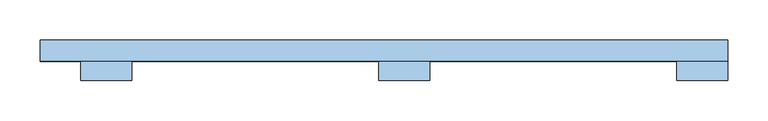
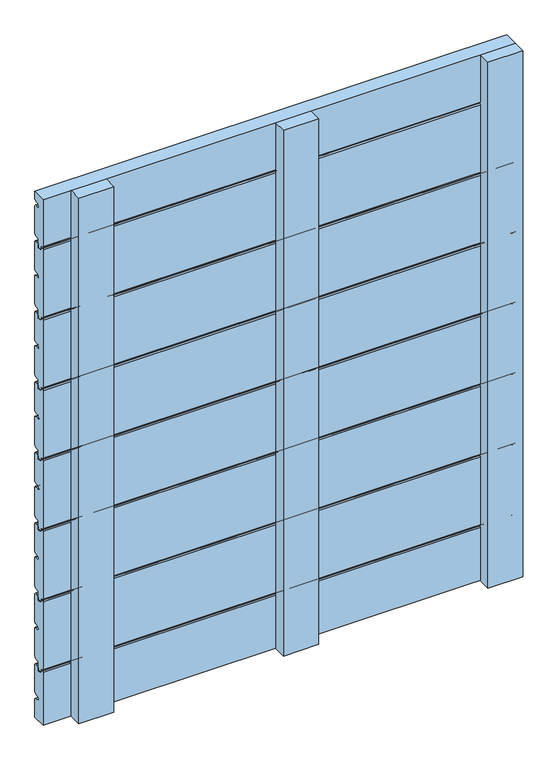
"""IFC4 building model written with IfcOpenShell, lengths in millimetres: window geometry."""

from ifc_helpers import new_model, si_unit, point, frame, frame_2d, origin, place, context, project, spatial, polyline, circle_curve, trimmed, segment, composite_curve, outline, extrude, source, transform, mapped, element, save


def window_ca7a7c07(model_context):
    return source(origin(), model_context, "Body", "SweptSolid", [
        extrude(outline(composite_curve([segment(trimmed(circle_curve(frame_2d((56.0069561, 1005.0059188)), 2.0068504), [point((54.0001057, 1005.0059188))], [point((56.0069561, 1007.0127692))], False, "CARTESIAN"), True, "CONTINUOUS"), segment(polyline([(56.0069561, 1007.0127692), (59.0001057, 1007.0127692)]), True, "CONTINUOUS"), segment(trimmed(circle_curve(frame_2d((59.0001057, 1005.0127692)), 2.0), [point((59.0001057, 1007.0127692))], [point((61.0001057, 1005.0127692))], False, "CARTESIAN"), True, "CONTINUOUS"), segment(polyline([(61.0001057, 1005.0127692), (61.0001057, 999.0127692), (69.0001057, 999.0127692), (69.0001057, 1004.0970543)]), True, "CONTINUOUS"), segment(trimmed(circle_curve(frame_2d((72.0089139, 1004.0024748)), 3.0102944), [point((69.0001057, 1004.0970543))], [point((72.0089139, 1007.0127692))], False, "CARTESIAN"), True, "CONTINUOUS"), segment(polyline([(72.0089139, 1007.0127692), (76.9999996, 1007.0127692)]), True, "CONTINUOUS"), segment(trimmed(circle_curve(frame_2d((76.9999996, 1004.0127692)), 3.0), [point((76.9999996, 1007.0127692))], [point((79.9999996, 1004.0127692))], False, "CARTESIAN"), True, "CONTINUOUS"), segment(polyline([(79.9999996, 1004.0127692), (79.9999996, 952.3066796)]), True, "CONTINUOUS"), segment(trimmed(circle_curve(frame_2d((76.9999996, 952.3066796)), 3.0), [point((79.9999996, 952.3066796))], [point((77.8555837, 949.4312708))], False, "CARTESIAN"), True, "CONTINUOUS"), segment(polyline([(77.8555837, 949.4312708), (69.9239208, 947.3276824)]), True, "CONTINUOUS"), segment(trimmed(circle_curve(frame_2d((70.5001156, 945.4124802)), 2.0), [point((69.9239208, 947.3276824))], [point((68.5001156, 945.4124802))], True, "CARTESIAN"), True, "CONTINUOUS"), segment(polyline([(68.5001156, 945.4124802), (68.5001158, 944.0)]), True, "CONTINUOUS"), segment(trimmed(circle_curve(frame_2d((70.5001158, 944.0)), 2.0), [point((68.5001158, 944.0))], [point((70.5001158, 942.0))], True, "CARTESIAN"), True, "CONTINUOUS"), segment(polyline([(70.5001158, 942.0), (76.968241, 942.0)]), True, "CONTINUOUS"), segment(trimmed(circle_curve(frame_2d((77.0018221, 939.000188)), 3.0), [point((76.968241, 942.0))], [point((80.0, 939.1047318))], False, "CARTESIAN"), True, "CONTINUOUS"), segment(polyline([(80.0, 939.1047318), (80.0, 887.2676097)]), True, "CONTINUOUS"), segment(trimmed(circle_curve(frame_2d((77.0, 887.2676097)), 3.0), [point((80.0, 887.2676097))], [point((78.1977807, 884.5170968))], False, "CARTESIAN"), True, "CONTINUOUS"), segment(polyline([(78.1977807, 884.5170968), (70.4824676, 882.4497849)]), True, "CONTINUOUS"), segment(trimmed(circle_curve(frame_2d((71.0001057, 880.5179332)), 2.0), [point((70.4824676, 882.4497849))], [point((69.0001057, 880.5179332))], True, "CARTESIAN"), True, "CONTINUOUS"), segment(polyline([(69.0001057, 880.5179332), (69.0001057, 869.0127692)]), True, "CONTINUOUS"), segment(trimmed(circle_curve(frame_2d((67.0001057, 869.0127692)), 2.0), [point((69.0001057, 869.0127692))], [point((67.0001057, 867.0127692))], False, "CARTESIAN"), True, "CONTINUOUS"), segment(polyline([(67.0001057, 867.0127692), (63.0001057, 867.0127692)]), True, "CONTINUOUS"), segment(trimmed(circle_curve(frame_2d((63.0001057, 869.0127692)), 2.0), [point((63.0001057, 867.0127692))], [point((61.0001057, 869.0127692))], False, "CARTESIAN"), True, "CONTINUOUS"), segment(polyline([(61.0001057, 869.0127692), (61.0001057, 874.0), (56.0001057, 874.0)]), True, "CONTINUOUS"), segment(trimmed(circle_curve(frame_2d((56.0001057, 876.0)), 2.0), [point((56.0001057, 874.0))], [point((54.0001057, 876.0))], False, "CARTESIAN"), True, "CONTINUOUS"), segment(polyline([(54.0001057, 876.0), (54.0001057, 1005.0059188)]), True, "CONTINUOUS")], self_intersect=False)), frame((-450.0, 0.0, 0.0), z_axis=(1.0, 0.0, 0.0), x_axis=(0.0, 1.0, 0.0)), (0.0, 0.0, 1.0), 850.0),
        extrude(outline(composite_curve([segment(trimmed(circle_curve(frame_2d((56.0069561, 871.0059188)), 2.0068504), [point((54.0001057, 871.0059188))], [point((56.0069561, 873.0127692))], False, "CARTESIAN"), True, "CONTINUOUS"), segment(polyline([(56.0069561, 873.0127692), (59.0001057, 873.0127692)]), True, "CONTINUOUS"), segment(trimmed(circle_curve(frame_2d((59.0001057, 871.0127692)), 2.0), [point((59.0001057, 873.0127692))], [point((61.0001057, 871.0127692))], False, "CARTESIAN"), True, "CONTINUOUS"), segment(polyline([(61.0001057, 871.0127692), (61.0001057, 865.0127692), (69.0001057, 865.0127692), (69.0001057, 870.0970543)]), True, "CONTINUOUS"), segment(trimmed(circle_curve(frame_2d((72.0089139, 870.0024748)), 3.0102944), [point((69.0001057, 870.0970543))], [point((72.0089139, 873.0127692))], False, "CARTESIAN"), True, "CONTINUOUS"), segment(polyline([(72.0089139, 873.0127692), (76.9999996, 873.0127692)]), True, "CONTINUOUS"), segment(trimmed(circle_curve(frame_2d((76.9999996, 870.0127692)), 3.0), [point((76.9999996, 873.0127692))], [point((79.9999996, 870.0127692))], False, "CARTESIAN"), True, "CONTINUOUS"), segment(polyline([(79.9999996, 870.0127692), (79.9999996, 818.3066796)]), True, "CONTINUOUS"), segment(trimmed(circle_curve(frame_2d((76.9999996, 818.3066796)), 3.0), [point((79.9999996, 818.3066796))], [point((77.8555837, 815.4312708))], False, "CARTESIAN"), True, "CONTINUOUS"), segment(polyline([(77.8555837, 815.4312708), (69.9239208, 813.3276824)]), True, "CONTINUOUS"), segment(trimmed(circle_curve(frame_2d((70.5001156, 811.4124802)), 2.0), [point((69.9239208, 813.3276824))], [point((68.5001156, 811.4124802))], True, "CARTESIAN"), True, "CONTINUOUS"), segment(polyline([(68.5001156, 811.4124802), (68.5001158, 810.0)]), True, "CONTINUOUS"), segment(trimmed(circle_curve(frame_2d((70.5001158, 810.0)), 2.0), [point((68.5001158, 810.0))], [point((70.5001158, 808.0))], True, "CARTESIAN"), True, "CONTINUOUS"), segment(polyline([(70.5001158, 808.0), (76.968241, 808.0)]), True, "CONTINUOUS"), segment(trimmed(circle_curve(frame_2d((77.0018221, 805.000188)), 3.0), [point((76.968241, 808.0))], [point((80.0, 805.1047318))], False, "CARTESIAN"), True, "CONTINUOUS"), segment(polyline([(80.0, 805.1047318), (80.0, 753.2676097)]), True, "CONTINUOUS"), segment(trimmed(circle_curve(frame_2d((77.0, 753.2676097)), 3.0), [point((80.0, 753.2676097))], [point((78.1977807, 750.5170968))], False, "CARTESIAN"), True, "CONTINUOUS"), segment(polyline([(78.1977807, 750.5170968), (70.4824676, 748.4497849)]), True, "CONTINUOUS"), segment(trimmed(circle_curve(frame_2d((71.0001057, 746.5179332)), 2.0), [point((70.4824676, 748.4497849))], [point((69.0001057, 746.5179332))], True, "CARTESIAN"), True, "CONTINUOUS"), segment(polyline([(69.0001057, 746.5179332), (69.0001057, 735.0127692)]), True, "CONTINUOUS"), segment(trimmed(circle_curve(frame_2d((67.0001057, 735.0127692)), 2.0), [point((69.0001057, 735.0127692))], [point((67.0001057, 733.0127692))], False, "CARTESIAN"), True, "CONTINUOUS"), segment(polyline([(67.0001057, 733.0127692), (63.0001057, 733.0127692)]), True, "CONTINUOUS"), segment(trimmed(circle_curve(frame_2d((63.0001057, 735.0127692)), 2.0), [point((63.0001057, 733.0127692))], [point((61.0001057, 735.0127692))], False, "CARTESIAN"), True, "CONTINUOUS"), segment(polyline([(61.0001057, 735.0127692), (61.0001057, 740.0), (56.0001057, 740.0)]), True, "CONTINUOUS"), segment(trimmed(circle_curve(frame_2d((56.0001057, 742.0)), 2.0), [point((56.0001057, 740.0))], [point((54.0001057, 742.0))], False, "CARTESIAN"), True, "CONTINUOUS"), segment(polyline([(54.0001057, 742.0), (54.0001057, 871.0059188)]), True, "CONTINUOUS")], self_intersect=False)), frame((-450.0, 0.0, 0.0), z_axis=(1.0, 0.0, 0.0), x_axis=(0.0, 1.0, 0.0)), (0.0, 0.0, 1.0), 850.0),
        extrude(outline(composite_curve([segment(trimmed(circle_curve(frame_2d((56.0069561, 737.0059188)), 2.0068504), [point((54.0001057, 737.0059188))], [point((56.0069561, 739.0127692))], False, "CARTESIAN"), True, "CONTINUOUS"), segment(polyline([(56.0069561, 739.0127692), (59.0001057, 739.0127692)]), True, "CONTINUOUS"), segment(trimmed(circle_curve(frame_2d((59.0001057, 737.0127692)), 2.0), [point((59.0001057, 739.0127692))], [point((61.0001057, 737.0127692))], False, "CARTESIAN"), True, "CONTINUOUS"), segment(polyline([(61.0001057, 737.0127692), (61.0001057, 731.0127692), (69.0001057, 731.0127692), (69.0001057, 736.0970543)]), True, "CONTINUOUS"), segment(trimmed(circle_curve(frame_2d((72.0089139, 736.0024748)), 3.0102944), [point((69.0001057, 736.0970543))], [point((72.0089139, 739.0127692))], False, "CARTESIAN"), True, "CONTINUOUS"), segment(polyline([(72.0089139, 739.0127692), (76.9999996, 739.0127692)]), True, "CONTINUOUS"), segment(trimmed(circle_curve(frame_2d((76.9999996, 736.0127692)), 3.0), [point((76.9999996, 739.0127692))], [point((79.9999996, 736.0127692))], False, "CARTESIAN"), True, "CONTINUOUS"), segment(polyline([(79.9999996, 736.0127692), (79.9999996, 684.3066796)]), True, "CONTINUOUS"), segment(trimmed(circle_curve(frame_2d((76.9999996, 684.3066796)), 3.0), [point((79.9999996, 684.3066796))], [point((77.8555837, 681.4312708))], False, "CARTESIAN"), True, "CONTINUOUS"), segment(polyline([(77.8555837, 681.4312708), (69.9239208, 679.3276824)]), True, "CONTINUOUS"), segment(trimmed(circle_curve(frame_2d((70.5001156, 677.4124802)), 2.0), [point((69.9239208, 679.3276824))], [point((68.5001156, 677.4124802))], True, "CARTESIAN"), True, "CONTINUOUS"), segment(polyline([(68.5001156, 677.4124802), (68.5001158, 676.0)]), True, "CONTINUOUS"), segment(trimmed(circle_curve(frame_2d((70.5001158, 676.0)), 2.0), [point((68.5001158, 676.0))], [point((70.5001158, 674.0))], True, "CARTESIAN"), True, "CONTINUOUS"), segment(polyline([(70.5001158, 674.0), (76.968241, 674.0)]), True, "CONTINUOUS"), segment(trimmed(circle_curve(frame_2d((77.0018221, 671.000188)), 3.0), [point((76.968241, 674.0))], [point((80.0, 671.1047318))], False, "CARTESIAN"), True, "CONTINUOUS"), segment(polyline([(80.0, 671.1047318), (80.0, 619.2676097)]), True, "CONTINUOUS"), segment(trimmed(circle_curve(frame_2d((77.0, 619.2676097)), 3.0), [point((80.0, 619.2676097))], [point((78.1977807, 616.5170968))], False, "CARTESIAN"), True, "CONTINUOUS"), segment(polyline([(78.1977807, 616.5170968), (70.4824676, 614.4497849)]), True, "CONTINUOUS"), segment(trimmed(circle_curve(frame_2d((71.0001057, 612.5179332)), 2.0), [point((70.4824676, 614.4497849))], [point((69.0001057, 612.5179332))], True, "CARTESIAN"), True, "CONTINUOUS"), segment(polyline([(69.0001057, 612.5179332), (69.0001057, 601.0127692)]), True, "CONTINUOUS"), segment(trimmed(circle_curve(frame_2d((67.0001057, 601.0127692)), 2.0), [point((69.0001057, 601.0127692))], [point((67.0001057, 599.0127692))], False, "CARTESIAN"), True, "CONTINUOUS"), segment(polyline([(67.0001057, 599.0127692), (63.0001057, 599.0127692)]), True, "CONTINUOUS"), segment(trimmed(circle_curve(frame_2d((63.0001057, 601.0127692)), 2.0), [point((63.0001057, 599.0127692))], [point((61.0001057, 601.0127692))], False, "CARTESIAN"), True, "CONTINUOUS"), segment(polyline([(61.0001057, 601.0127692), (61.0001057, 606.0), (56.0001057, 606.0)]), True, "CONTINUOUS"), segment(trimmed(circle_curve(frame_2d((56.0001057, 608.0)), 2.0), [point((56.0001057, 606.0))], [point((54.0001057, 608.0))], False, "CARTESIAN"), True, "CONTINUOUS"), segment(polyline([(54.0001057, 608.0), (54.0001057, 737.0059188)]), True, "CONTINUOUS")], self_intersect=False)), frame((-450.0, 0.0, 0.0), z_axis=(1.0, 0.0, 0.0), x_axis=(0.0, 1.0, 0.0)), (0.0, 0.0, 1.0), 850.0),
        extrude(outline(composite_curve([segment(trimmed(circle_curve(frame_2d((56.0069561, 603.0059188)), 2.0068504), [point((54.0001057, 603.0059188))], [point((56.0069561, 605.0127692))], False, "CARTESIAN"), True, "CONTINUOUS"), segment(polyline([(56.0069561, 605.0127692), (59.0001057, 605.0127692)]), True, "CONTINUOUS"), segment(trimmed(circle_curve(frame_2d((59.0001057, 603.0127692)), 2.0), [point((59.0001057, 605.0127692))], [point((61.0001057, 603.0127692))], False, "CARTESIAN"), True, "CONTINUOUS"), segment(polyline([(61.0001057, 603.0127692), (61.0001057, 597.0127692), (69.0001057, 597.0127692), (69.0001057, 602.0970543)]), True, "CONTINUOUS"), segment(trimmed(circle_curve(frame_2d((72.0089139, 602.0024748)), 3.0102944), [point((69.0001057, 602.0970543))], [point((72.0089139, 605.0127692))], False, "CARTESIAN"), True, "CONTINUOUS"), segment(polyline([(72.0089139, 605.0127692), (76.9999996, 605.0127692)]), True, "CONTINUOUS"), segment(trimmed(circle_curve(frame_2d((76.9999996, 602.0127692)), 3.0), [point((76.9999996, 605.0127692))], [point((79.9999996, 602.0127692))], False, "CARTESIAN"), True, "CONTINUOUS"), segment(polyline([(79.9999996, 602.0127692), (79.9999996, 550.3066796)]), True, "CONTINUOUS"), segment(trimmed(circle_curve(frame_2d((76.9999996, 550.3066796)), 3.0), [point((79.9999996, 550.3066796))], [point((77.8555837, 547.4312708))], False, "CARTESIAN"), True, "CONTINUOUS"), segment(polyline([(77.8555837, 547.4312708), (69.9239208, 545.3276824)]), True, "CONTINUOUS"), segment(trimmed(circle_curve(frame_2d((70.5001156, 543.4124802)), 2.0), [point((69.9239208, 545.3276824))], [point((68.5001156, 543.4124802))], True, "CARTESIAN"), True, "CONTINUOUS"), segment(polyline([(68.5001156, 543.4124802), (68.5001158, 542.0)]), True, "CONTINUOUS"), segment(trimmed(circle_curve(frame_2d((70.5001158, 542.0)), 2.0), [point((68.5001158, 542.0))], [point((70.5001158, 540.0))], True, "CARTESIAN"), True, "CONTINUOUS"), segment(polyline([(70.5001158, 540.0), (76.968241, 540.0)]), True, "CONTINUOUS"), segment(trimmed(circle_curve(frame_2d((77.0018221, 537.000188)), 3.0), [point((76.968241, 540.0))], [point((80.0, 537.1047318))], False, "CARTESIAN"), True, "CONTINUOUS"), segment(polyline([(80.0, 537.1047318), (80.0, 485.2676097)]), True, "CONTINUOUS"), segment(trimmed(circle_curve(frame_2d((77.0, 485.2676097)), 3.0), [point((80.0, 485.2676097))], [point((78.1977807, 482.5170968))], False, "CARTESIAN"), True, "CONTINUOUS"), segment(polyline([(78.1977807, 482.5170968), (70.4824676, 480.4497849)]), True, "CONTINUOUS"), segment(trimmed(circle_curve(frame_2d((71.0001057, 478.5179332)), 2.0), [point((70.4824676, 480.4497849))], [point((69.0001057, 478.5179332))], True, "CARTESIAN"), True, "CONTINUOUS"), segment(polyline([(69.0001057, 478.5179332), (69.0001057, 467.0127692)]), True, "CONTINUOUS"), segment(trimmed(circle_curve(frame_2d((67.0001057, 467.0127692)), 2.0), [point((69.0001057, 467.0127692))], [point((67.0001057, 465.0127692))], False, "CARTESIAN"), True, "CONTINUOUS"), segment(polyline([(67.0001057, 465.0127692), (63.0001057, 465.0127692)]), True, "CONTINUOUS"), segment(trimmed(circle_curve(frame_2d((63.0001057, 467.0127692)), 2.0), [point((63.0001057, 465.0127692))], [point((61.0001057, 467.0127692))], False, "CARTESIAN"), True, "CONTINUOUS"), segment(polyline([(61.0001057, 467.0127692), (61.0001057, 472.0), (56.0001057, 472.0)]), True, "CONTINUOUS"), segment(trimmed(circle_curve(frame_2d((56.0001057, 474.0)), 2.0), [point((56.0001057, 472.0))], [point((54.0001057, 474.0))], False, "CARTESIAN"), True, "CONTINUOUS"), segment(polyline([(54.0001057, 474.0), (54.0001057, 603.0059188)]), True, "CONTINUOUS")], self_intersect=False)), frame((-450.0, 0.0, 0.0), z_axis=(1.0, 0.0, 0.0), x_axis=(0.0, 1.0, 0.0)), (0.0, 0.0, 1.0), 850.0),
        extrude(outline(composite_curve([segment(trimmed(circle_curve(frame_2d((56.0069561, 469.0059188)), 2.0068504), [point((54.0001057, 469.0059188))], [point((56.0069561, 471.0127692))], False, "CARTESIAN"), True, "CONTINUOUS"), segment(polyline([(56.0069561, 471.0127692), (59.0001057, 471.0127692)]), True, "CONTINUOUS"), segment(trimmed(circle_curve(frame_2d((59.0001057, 469.0127692)), 2.0), [point((59.0001057, 471.0127692))], [point((61.0001057, 469.0127692))], False, "CARTESIAN"), True, "CONTINUOUS"), segment(polyline([(61.0001057, 469.0127692), (61.0001057, 463.0127692), (69.0001057, 463.0127692), (69.0001057, 468.0970543)]), True, "CONTINUOUS"), segment(trimmed(circle_curve(frame_2d((72.0089139, 468.0024748)), 3.0102944), [point((69.0001057, 468.0970543))], [point((72.0089139, 471.0127692))], False, "CARTESIAN"), True, "CONTINUOUS"), segment(polyline([(72.0089139, 471.0127692), (76.9999996, 471.0127692)]), True, "CONTINUOUS"), segment(trimmed(circle_curve(frame_2d((76.9999996, 468.0127692)), 3.0), [point((76.9999996, 471.0127692))], [point((79.9999996, 468.0127692))], False, "CARTESIAN"), True, "CONTINUOUS"), segment(polyline([(79.9999996, 468.0127692), (79.9999996, 416.3066796)]), True, "CONTINUOUS"), segment(trimmed(circle_curve(frame_2d((76.9999996, 416.3066796)), 3.0), [point((79.9999996, 416.3066796))], [point((77.8555837, 413.4312708))], False, "CARTESIAN"), True, "CONTINUOUS"), segment(polyline([(77.8555837, 413.4312708), (69.9239208, 411.3276824)]), True, "CONTINUOUS"), segment(trimmed(circle_curve(frame_2d((70.5001156, 409.4124802)), 2.0), [point((69.9239208, 411.3276824))], [point((68.5001156, 409.4124802))], True, "CARTESIAN"), True, "CONTINUOUS"), segment(polyline([(68.5001156, 409.4124802), (68.5001158, 408.0)]), True, "CONTINUOUS"), segment(trimmed(circle_curve(frame_2d((70.5001158, 408.0)), 2.0), [point((68.5001158, 408.0))], [point((70.5001158, 406.0))], True, "CARTESIAN"), True, "CONTINUOUS"), segment(polyline([(70.5001158, 406.0), (76.968241, 406.0)]), True, "CONTINUOUS"), segment(trimmed(circle_curve(frame_2d((77.0018221, 403.000188)), 3.0), [point((76.968241, 406.0))], [point((80.0, 403.1047318))], False, "CARTESIAN"), True, "CONTINUOUS"), segment(polyline([(80.0, 403.1047318), (80.0, 351.2676097)]), True, "CONTINUOUS"), segment(trimmed(circle_curve(frame_2d((77.0, 351.2676097)), 3.0), [point((80.0, 351.2676097))], [point((78.1977807, 348.5170968))], False, "CARTESIAN"), True, "CONTINUOUS"), segment(polyline([(78.1977807, 348.5170968), (70.4824676, 346.4497849)]), True, "CONTINUOUS"), segment(trimmed(circle_curve(frame_2d((71.0001057, 344.5179332)), 2.0), [point((70.4824676, 346.4497849))], [point((69.0001057, 344.5179332))], True, "CARTESIAN"), True, "CONTINUOUS"), segment(polyline([(69.0001057, 344.5179332), (69.0001057, 333.0127692)]), True, "CONTINUOUS"), segment(trimmed(circle_curve(frame_2d((67.0001057, 333.0127692)), 2.0), [point((69.0001057, 333.0127692))], [point((67.0001057, 331.0127692))], False, "CARTESIAN"), True, "CONTINUOUS"), segment(polyline([(67.0001057, 331.0127692), (63.0001057, 331.0127692)]), True, "CONTINUOUS"), segment(trimmed(circle_curve(frame_2d((63.0001057, 333.0127692)), 2.0), [point((63.0001057, 331.0127692))], [point((61.0001057, 333.0127692))], False, "CARTESIAN"), True, "CONTINUOUS"), segment(polyline([(61.0001057, 333.0127692), (61.0001057, 338.0), (56.0001057, 338.0)]), True, "CONTINUOUS"), segment(trimmed(circle_curve(frame_2d((56.0001057, 340.0)), 2.0), [point((56.0001057, 338.0))], [point((54.0001057, 340.0))], False, "CARTESIAN"), True, "CONTINUOUS"), segment(polyline([(54.0001057, 340.0), (54.0001057, 469.0059188)]), True, "CONTINUOUS")], self_intersect=False)), frame((-450.0, 0.0, 0.0), z_axis=(1.0, 0.0, 0.0), x_axis=(0.0, 1.0, 0.0)), (0.0, 0.0, 1.0), 850.0),
        extrude(outline(composite_curve([segment(trimmed(circle_curve(frame_2d((56.0069561, 335.0059188)), 2.0068504), [point((54.0001057, 335.0059188))], [point((56.0069561, 337.0127692))], False, "CARTESIAN"), True, "CONTINUOUS"), segment(polyline([(56.0069561, 337.0127692), (59.0001057, 337.0127692)]), True, "CONTINUOUS"), segment(trimmed(circle_curve(frame_2d((59.0001057, 335.0127692)), 2.0), [point((59.0001057, 337.0127692))], [point((61.0001057, 335.0127692))], False, "CARTESIAN"), True, "CONTINUOUS"), segment(polyline([(61.0001057, 335.0127692), (61.0001057, 329.0127692), (69.0001057, 329.0127692), (69.0001057, 334.0970543)]), True, "CONTINUOUS"), segment(trimmed(circle_curve(frame_2d((72.0089139, 334.0024748)), 3.0102944), [point((69.0001057, 334.0970543))], [point((72.0089139, 337.0127692))], False, "CARTESIAN"), True, "CONTINUOUS"), segment(polyline([(72.0089139, 337.0127692), (76.9999996, 337.0127692)]), True, "CONTINUOUS"), segment(trimmed(circle_curve(frame_2d((76.9999996, 334.0127692)), 3.0), [point((76.9999996, 337.0127692))], [point((79.9999996, 334.0127692))], False, "CARTESIAN"), True, "CONTINUOUS"), segment(polyline([(79.9999996, 334.0127692), (79.9999996, 282.3066796)]), True, "CONTINUOUS"), segment(trimmed(circle_curve(frame_2d((76.9999996, 282.3066796)), 3.0), [point((79.9999996, 282.3066796))], [point((77.8555837, 279.4312708))], False, "CARTESIAN"), True, "CONTINUOUS"), segment(polyline([(77.8555837, 279.4312708), (69.9239208, 277.3276824)]), True, "CONTINUOUS"), segment(trimmed(circle_curve(frame_2d((70.5001156, 275.4124802)), 2.0), [point((69.9239208, 277.3276824))], [point((68.5001156, 275.4124802))], True, "CARTESIAN"), True, "CONTINUOUS"), segment(polyline([(68.5001156, 275.4124802), (68.5001158, 274.0)]), True, "CONTINUOUS"), segment(trimmed(circle_curve(frame_2d((70.5001158, 274.0)), 2.0), [point((68.5001158, 274.0))], [point((70.5001158, 272.0))], True, "CARTESIAN"), True, "CONTINUOUS"), segment(polyline([(70.5001158, 272.0), (76.968241, 272.0)]), True, "CONTINUOUS"), segment(trimmed(circle_curve(frame_2d((77.0018221, 269.000188)), 3.0), [point((76.968241, 272.0))], [point((80.0, 269.1047318))], False, "CARTESIAN"), True, "CONTINUOUS"), segment(polyline([(80.0, 269.1047318), (80.0, 217.2676097)]), True, "CONTINUOUS"), segment(trimmed(circle_curve(frame_2d((77.0, 217.2676097)), 3.0), [point((80.0, 217.2676097))], [point((78.1977807, 214.5170968))], False, "CARTESIAN"), True, "CONTINUOUS"), segment(polyline([(78.1977807, 214.5170968), (70.4824676, 212.4497849)]), True, "CONTINUOUS"), segment(trimmed(circle_curve(frame_2d((71.0001057, 210.5179332)), 2.0), [point((70.4824676, 212.4497849))], [point((69.0001057, 210.5179332))], True, "CARTESIAN"), True, "CONTINUOUS"), segment(polyline([(69.0001057, 210.5179332), (69.0001057, 199.0127692)]), True, "CONTINUOUS"), segment(trimmed(circle_curve(frame_2d((67.0001057, 199.0127692)), 2.0), [point((69.0001057, 199.0127692))], [point((67.0001057, 197.0127692))], False, "CARTESIAN"), True, "CONTINUOUS"), segment(polyline([(67.0001057, 197.0127692), (63.0001057, 197.0127692)]), True, "CONTINUOUS"), segment(trimmed(circle_curve(frame_2d((63.0001057, 199.0127692)), 2.0), [point((63.0001057, 197.0127692))], [point((61.0001057, 199.0127692))], False, "CARTESIAN"), True, "CONTINUOUS"), segment(polyline([(61.0001057, 199.0127692), (61.0001057, 204.0), (56.0001057, 204.0)]), True, "CONTINUOUS"), segment(trimmed(circle_curve(frame_2d((56.0001057, 206.0)), 2.0), [point((56.0001057, 204.0))], [point((54.0001057, 206.0))], False, "CARTESIAN"), True, "CONTINUOUS"), segment(polyline([(54.0001057, 206.0), (54.0001057, 335.0059188)]), True, "CONTINUOUS")], self_intersect=False)), frame((-450.0, 0.0, 0.0), z_axis=(1.0, 0.0, 0.0), x_axis=(0.0, 1.0, 0.0)), (0.0, 0.0, 1.0), 850.0),
        extrude(outline(composite_curve([segment(polyline([(54.0001057, 1100.0), (80.0, 1100.0), (80.0, 1086.2939109), (77.8555837, 1083.4185015), (69.9239208, 1081.3149131)]), True, "CONTINUOUS"), segment(trimmed(circle_curve(frame_2d((70.5001156, 1079.3997109)), 2.0), [point((69.9239208, 1081.3149131))], [point((68.5001156, 1079.3997109))], True, "CARTESIAN"), True, "CONTINUOUS"), segment(polyline([(68.5001156, 1079.3997109), (68.5001158, 1077.9872308)]), True, "CONTINUOUS"), segment(trimmed(circle_curve(frame_2d((70.5001158, 1077.9872308)), 2.0), [point((68.5001158, 1077.9872308))], [point((70.5001158, 1075.9872308))], True, "CARTESIAN"), True, "CONTINUOUS"), segment(polyline([(70.5001158, 1075.9872308), (77.1047318, 1075.9872308), (80.0, 1073.0919626), (80.0, 1021.2548405)]), True, "CONTINUOUS"), segment(trimmed(circle_curve(frame_2d((77.0, 1021.2548405)), 3.0), [point((80.0, 1021.2548405))], [point((78.1977807, 1018.5043275))], False, "CARTESIAN"), True, "CONTINUOUS"), segment(polyline([(78.1977807, 1018.5043275), (70.4824676, 1016.4370156)]), True, "CONTINUOUS"), segment(trimmed(circle_curve(frame_2d((71.0001057, 1014.505164)), 2.0), [point((70.4824676, 1016.4370156))], [point((69.0001057, 1014.505164))], True, "CARTESIAN"), True, "CONTINUOUS"), segment(polyline([(69.0001057, 1014.505164), (69.0001057, 1003.0)]), True, "CONTINUOUS"), segment(trimmed(circle_curve(frame_2d((67.0001057, 1003.0)), 2.0), [point((69.0001057, 1003.0))], [point((67.0001057, 1001.0))], False, "CARTESIAN"), True, "CONTINUOUS"), segment(polyline([(67.0001057, 1001.0), (63.0001057, 1001.0)]), True, "CONTINUOUS"), segment(trimmed(circle_curve(frame_2d((63.0001057, 1003.0)), 2.0), [point((63.0001057, 1001.0))], [point((61.0001057, 1003.0))], False, "CARTESIAN"), True, "CONTINUOUS"), segment(polyline([(61.0001057, 1003.0), (61.0001057, 1007.9872308), (56.0001057, 1007.9872308)]), True, "CONTINUOUS"), segment(trimmed(circle_curve(frame_2d((56.0001057, 1009.9872308)), 2.0), [point((56.0001057, 1007.9872308))], [point((54.0001057, 1009.9872308))], False, "CARTESIAN"), True, "CONTINUOUS"), segment(polyline([(54.0001057, 1009.9872308), (54.0001057, 1100.0)]), True, "CONTINUOUS")], self_intersect=False)), frame((-450.0, 0.0, 0.0), z_axis=(1.0, 0.0, 0.0), x_axis=(0.0, 1.0, 0.0)), (0.0, 0.0, 1.0), 850.0),
        extrude(outline(composite_curve([segment(trimmed(circle_curve(frame_2d((56.0069565, 200.9931496)), 2.0068504), [point((54.0001061, 200.9931496))], [point((56.0069565, 203.0))], False, "CARTESIAN"), True, "CONTINUOUS"), segment(polyline([(56.0069565, 203.0), (59.0001061, 203.0)]), True, "CONTINUOUS"), segment(trimmed(circle_curve(frame_2d((59.0001061, 201.0)), 2.0), [point((59.0001061, 203.0))], [point((61.0001061, 201.0))], False, "CARTESIAN"), True, "CONTINUOUS"), segment(polyline([(61.0001061, 201.0), (61.0001061, 195.0), (69.0001061, 195.0), (69.0001061, 200.084285)]), True, "CONTINUOUS"), segment(trimmed(circle_curve(frame_2d((72.0089143, 199.9897056)), 3.0102944), [point((69.0001061, 200.084285))], [point((72.0089143, 203.0))], False, "CARTESIAN"), True, "CONTINUOUS"), segment(polyline([(72.0089143, 203.0), (77.0, 203.0)]), True, "CONTINUOUS"), segment(trimmed(circle_curve(frame_2d((77.0, 200.0)), 3.0), [point((77.0, 203.0))], [point((80.0, 200.0))], False, "CARTESIAN"), True, "CONTINUOUS"), segment(polyline([(80.0, 200.0), (80.0, 148.2939103), (77.8555841, 145.4185015), (68.5001162, 142.9373001), (68.5001162, 137.9872308), (76.9682415, 137.9872308), (80.0000002, 134.955472), (80.0, 100.0), (54.0001061, 100.0), (54.0001061, 200.9931496)]), True, "CONTINUOUS")], self_intersect=False)), frame((-450.0, 0.0, 0.0), z_axis=(1.0, 0.0, 0.0), x_axis=(0.0, 1.0, 0.0)), (0.0, 0.0, 1.0), 850.0),
        extrude(outline(polyline([(-31.5, 54.1), (31.5, 54.1), (31.5, 30.1), (-31.5, 30.1), (-31.5, 54.1)])), frame((0.0, 0.0, 100.0), z_axis=(0.0, 0.0, 1.0), x_axis=(1.0, 0.0, 0.0)), (0.0, 0.0, 1.0), 1000.0),
        extrude(outline(polyline([(-400.0, 54.0), (-337.0, 54.0), (-337.0, 30.0), (-400.0, 30.0), (-400.0, 54.0)])), frame((0.0, 0.0, 100.0), z_axis=(0.0, 0.0, 1.0), x_axis=(1.0, 0.0, 0.0)), (0.0, 0.0, 1.0), 1000.0),
        extrude(outline(polyline([(337.0, 54.0), (400.0, 54.0), (400.0, 30.0), (337.0, 30.0), (337.0, 54.0)])), frame((0.0, 0.0, 100.0), z_axis=(0.0, 0.0, 1.0), x_axis=(1.0, 0.0, 0.0)), (0.0, 0.0, 1.0), 1000.0),
    ])


if __name__ == "__main__":
    model = new_model("IFC4")
    model_context = context("Model", 3, world=origin())
    ifc_project = project(units=[si_unit("LENGTHUNIT", "METRE", prefix="MILLI")], contexts=[model_context])
    site = spatial("IfcSite", under=ifc_project)
    building = spatial("IfcBuilding", under=site)
    placement = place(None, origin())
    window_shape = window_ca7a7c07(model_context)
    element("IfcWindow", 1, at=placement, inside=building, context=model_context, shape_type="MappedRepresentation", body=[
        mapped(window_shape, transform((0.0, 0.0, 0.0), x_axis=(1.0, 0.0, 0.0), y_axis=(0.0, 1.0, 0.0), z_axis=(0.0, 0.0, 1.0))),
    ])
    save(model, "model.ifc")
